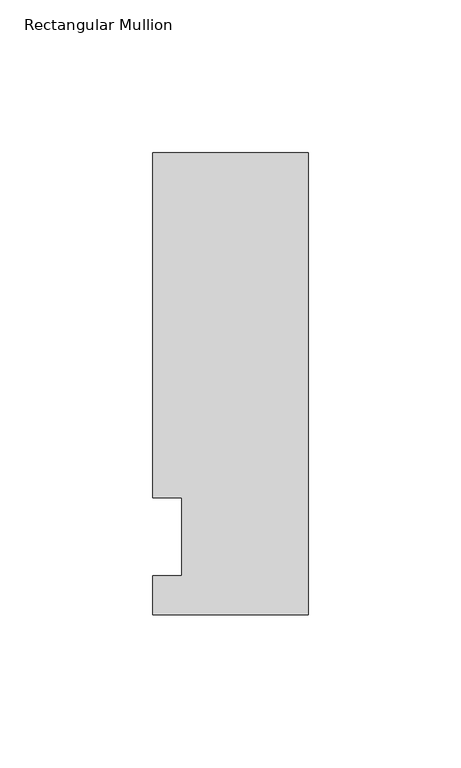
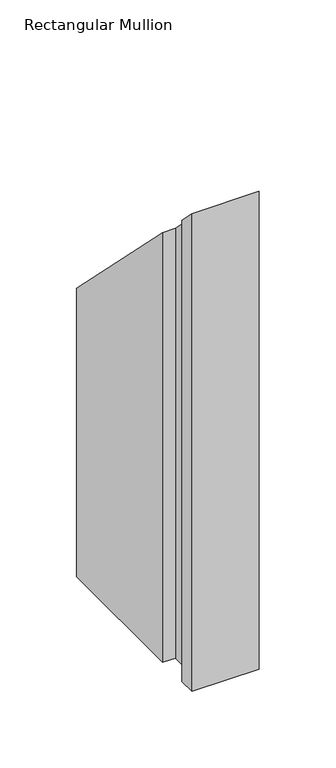
"""IFC4 building model written with IfcOpenShell, lengths in millimetres: member geometry, Rectangular Mullion."""

import ifcopenshell
import ifcopenshell.guid

model = None  # the IFC model being written
_history = None  # IfcOwnerHistory: only IFC2X3 demands one
_inside = {}  # id of a spatial element -> (the spatial element, [elements in it])
_under = {}  # id of a project, library or spatial element -> (it, [spatial elements below it])
_declared = {}  # id of a project -> (the project, [libraries it declares])
_typed = {}  # id of a type object -> (the type object, [elements of that type])
_made_of = {}  # id of a material, layer set ... -> (it, [elements and type objects made of it])


def new_model(schema):
    """Start an empty IFC model of exactly this schema.

    Asked for "IFC4X3", IfcOpenShell would pick the latest addendum, in which some entities
    have other attributes; the version numbers below select the first issue.
    IFC2X3 requires an IfcOwnerHistory on every rooted entity: one is made here for all.
    """
    global model, _history
    if schema == "IFC4X3":
        model = ifcopenshell.file(schema_version=(4, 3, 0, 0))
    else:
        model = ifcopenshell.file(schema=schema)
    _inside.clear()
    _under.clear()
    _declared.clear()
    _typed.clear()
    _made_of.clear()
    _history = None
    if model.schema == "IFC2X3":
        org = make("IfcOrganization", Name="unknown")
        user = make(
            "IfcPersonAndOrganization",
            ThePerson=make("IfcPerson", FamilyName="unknown"),
            TheOrganization=org,
        )
        app = make(
            "IfcApplication",
            ApplicationDeveloper=org,
            Version="unknown",
            ApplicationFullName="unknown",
            ApplicationIdentifier="unknown",
        )
        _history = make(
            "IfcOwnerHistory",
            OwningUser=user,
            OwningApplication=app,
            ChangeAction="ADDED",
            CreationDate=0,
        )
    return model


def make(cls, **values):
    """One entity of the class cls with the attributes given. An attribute that is None is left unset."""
    return model.create_entity(
        cls, **{name: value for name, value in values.items() if value is not None}
    )


def rooted(cls, **values):
    """An entity with a GlobalId (a new one), such as an element, a storey or a relation."""
    return make(cls, GlobalId=ifcopenshell.guid.new(), OwnerHistory=_history, **values)


def si_unit(unit_type, name, prefix=None):
    """IfcSIUnit, for example si_unit("LENGTHUNIT", "METRE", prefix="MILLI")."""
    return make("IfcSIUnit", UnitType=unit_type, Prefix=prefix, Name=name)


def assignment(units):
    """IfcUnitAssignment: the units of a project."""
    return None if units is None else make("IfcUnitAssignment", Units=units)


def point(xyz):
    """IfcCartesianPoint."""
    return None if xyz is None else make("IfcCartesianPoint", Coordinates=xyz)


def direction(xyz):
    """IfcDirection."""
    return None if xyz is None else make("IfcDirection", DirectionRatios=xyz)


def frame(location, z_axis=None, x_axis=None):
    """IfcAxis2Placement3D, a coordinate frame: its origin and axes. An axis left out is left unset."""
    return make(
        "IfcAxis2Placement3D",
        Location=point(location),
        Axis=direction(z_axis),
        RefDirection=direction(x_axis),
    )


def origin():
    """The frame at (0, 0, 0) with its axes left unset."""
    return frame((0.0, 0.0, 0.0))


def place(relative_to, where):
    """IfcLocalPlacement: puts the frame where relative to a parent placement (None: the world)."""
    return make(
        "IfcLocalPlacement", PlacementRelTo=relative_to, RelativePlacement=where
    )


def context(
    kind, dimensions, precision=None, world=None, true_north=None, identifier=None
):
    """IfcGeometricRepresentationContext, for example the 3D "Model" context."""
    return make(
        "IfcGeometricRepresentationContext",
        ContextIdentifier=identifier,
        ContextType=kind,
        CoordinateSpaceDimension=dimensions,
        Precision=precision,
        WorldCoordinateSystem=world,
        TrueNorth=true_north,
    )


def project(units=None, contexts=None):
    """IfcProject with its units and contexts."""
    return rooted(
        "IfcProject",
        Name="project",
        RepresentationContexts=contexts,
        UnitsInContext=assignment(units),
    )


def spatial(cls, under=None, at=None, **own):
    """A site, building, storey or space (cls), placed at a placement, below another one or the project."""
    s = rooted(cls, ObjectPlacement=at, **own)
    if under is not None:
        _under.setdefault(under.id(), (under, []))[1].append(s)
    return s


def faces_of(points, faces, orient=None, outer=None):
    """IfcFace entities. A face is a list of loops; a loop is a list of indices into points, from 0.

    orient and outer hold one flag for each loop. By default every Orientation is true, the
    first loop of a face is its IfcFaceOuterBound and the others are IfcFaceBound.
    """
    made = []
    for i, loops in enumerate(faces):
        bounds = []
        for j, loop in enumerate(loops):
            is_outer = j == 0 if outer is None else outer[i][j]
            bounds.append(
                make(
                    "IfcFaceOuterBound" if is_outer else "IfcFaceBound",
                    Bound=make("IfcPolyLoop", Polygon=[points[k] for k in loop]),
                    Orientation=True if orient is None else orient[i][j],
                )
            )
        made.append(make("IfcFace", Bounds=bounds))
    return made


def faceted_brep(points, faces, orient=None, outer=None, voids=None):
    """IfcFacetedBrep: a solid bounded by flat faces; with voids (closed shells), ...WithVoids."""
    shared = [point(p) for p in points]
    hull = make("IfcClosedShell", CfsFaces=faces_of(shared, faces, orient, outer))
    if voids is None:
        return make("IfcFacetedBrep", Outer=hull)
    return make(
        "IfcFacetedBrepWithVoids",
        Outer=hull,
        Voids=[
            make(cls, CfsFaces=faces_of(shared, fs, o, b)) for cls, fs, o, b in voids
        ],
    )


def shape(context_of_items, identifier, shape_type, items):
    """IfcShapeRepresentation: the items that make up one representation, for example the "Body"."""
    return make(
        "IfcShapeRepresentation",
        ContextOfItems=context_of_items,
        RepresentationIdentifier=identifier,
        RepresentationType=shape_type,
        Items=items,
    )


def source(mapping_origin, context_of_items, identifier, shape_type, items):
    """IfcRepresentationMap: a shape defined once, which mapped items show again and again."""
    return make(
        "IfcRepresentationMap",
        MappingOrigin=mapping_origin,
        MappedRepresentation=shape(context_of_items, identifier, shape_type, items),
    )


def transform(
    local_origin,
    x_axis=None,
    y_axis=None,
    z_axis=None,
    scale=None,
    scale2=None,
    scale3=None,
    uniform=True,
):
    """IfcCartesianTransformationOperator3D, or its non-uniform kind. x_axis, y_axis, z_axis: its Axis1, 2, 3."""
    if uniform:
        return make(
            "IfcCartesianTransformationOperator3D",
            Axis1=direction(x_axis),
            Axis2=direction(y_axis),
            LocalOrigin=point(local_origin),
            Scale=scale,
            Axis3=direction(z_axis),
        )
    return make(
        "IfcCartesianTransformationOperator3DnonUniform",
        Axis1=direction(x_axis),
        Axis2=direction(y_axis),
        LocalOrigin=point(local_origin),
        Scale=scale,
        Axis3=direction(z_axis),
        Scale2=scale2,
        Scale3=scale3,
    )


def mapped(mapping_source, mapping_target):
    """IfcMappedItem: shows the shape of a source again, moved by a transform."""
    return make(
        "IfcMappedItem", MappingSource=mapping_source, MappingTarget=mapping_target
    )


def made_of(thing, what):
    """Note that an element or type object is made of a material, layer set ...; save() writes the relation."""
    if what is not None:
        _made_of.setdefault(what.id(), (what, []))[1].append(thing)
    return thing


def element(
    cls,
    number,
    at=None,
    inside=None,
    cuts=None,
    type_object=None,
    material=None,
    context=None,
    identifier="Body",
    shape_type=None,
    held_by="IfcProductDefinitionShape",
    body=None,
    shapes=None,
    **own,
):
    """One element of the class cls, such as IfcWall. Its Tag is "e" and its number.

    at: its placement. inside: the storey or other place that contains it. cuts: it is an
    opening in that element (IfcRelVoidsElement). A single representation is given by context,
    identifier, shape_type and body (its items); several are given by shapes. held_by: the class
    of the entity that holds the representations. save() writes the other relations.
    """
    e = rooted(cls, Tag="e%d" % number, ObjectPlacement=at, **own)
    if body is not None:
        shapes = [shape(context, identifier, shape_type, body)]
    if shapes is not None:
        e.Representation = make(held_by, Representations=shapes)
    if inside is not None:
        _inside.setdefault(inside.id(), (inside, []))[1].append(e)
    if cuts is not None:
        rooted(
            "IfcRelVoidsElement", RelatingBuildingElement=cuts, RelatedOpeningElement=e
        )
    if type_object is not None:
        _typed.setdefault(type_object.id(), (type_object, []))[1].append(e)
    return made_of(e, material)


def aggregate(whole, parts):
    """IfcRelAggregates: a whole, such as a stair, and the parts it consists of."""
    return rooted("IfcRelAggregates", RelatingObject=whole, RelatedObjects=parts)


def save(model, path):
    """Write the relations noted so far, then the file.

    IfcRelAggregates (storeys below a building ...), IfcRelContainedInSpatialStructure (elements
    in a storey), IfcRelDefinesByType, IfcRelAssociatesMaterial and IfcRelDeclares: one each for
    every whole, place, type object, material and project.
    """
    for whole, parts in _under.values():
        aggregate(whole, parts)
    for where, things in _inside.values():
        rooted(
            "IfcRelContainedInSpatialStructure",
            RelatedElements=things,
            RelatingStructure=where,
        )
    for kind, things in _typed.values():
        rooted("IfcRelDefinesByType", RelatedObjects=things, RelatingType=kind)
    for what, things in _made_of.values():
        rooted("IfcRelAssociatesMaterial", RelatedObjects=things, RelatingMaterial=what)
    for by, libraries in _declared.values():
        rooted("IfcRelDeclares", RelatingContext=by, RelatedDefinitions=libraries)
    model.write(path)


def rectangular_mullion_f8b07f4e(model_context):
    return source(origin(), model_context, "Body", "Brep", [
        faceted_brep([(-50.8, -25.5984375, -355.6), (-50.8, -12.7, -355.6), (-41.275, -12.7, -355.6), (-41.275, 12.7, -355.6), (-50.8, 12.7, -355.6), (-50.8, 125.6109375, -355.6), (0.0, 125.6109375, -355.6), (0.0, -25.5984375, -355.6), (0.0, -25.5984375, 25.5984375), (-50.8, -25.5984375, 25.5984375), (0.0, 125.6109375, -125.6109375), (-50.8, 125.6109375, -125.6109375), (-50.8, 12.7, -12.7), (-41.275, 12.7, -12.7), (-41.275, -12.7, 12.7), (-50.8, -12.7, 12.7)], [[[0, 1, 2, 3, 4, 5, 6, 7]], [[8, 9, 0, 7]], [[10, 8, 7, 6]], [[11, 10, 6, 5]], [[12, 11, 5, 4]], [[13, 12, 4, 3]], [[14, 13, 3, 2]], [[15, 14, 2, 1]], [[9, 15, 1, 0]], [[9, 8, 10, 11, 12, 13, 14, 15]]]),
    ])


if __name__ == "__main__":
    model = new_model("IFC4")
    model_context = context("Model", 3, world=origin())
    ifc_project = project(units=[si_unit("LENGTHUNIT", "METRE", prefix="MILLI")], contexts=[model_context])
    site = spatial("IfcSite", under=ifc_project)
    building = spatial("IfcBuilding", under=site)
    placement = place(None, origin())
    rectangular_mullion_shape = rectangular_mullion_f8b07f4e(model_context)
    element("IfcMember", 1, ObjectType="Rectangular Mullion", at=placement, inside=building, context=model_context, shape_type="MappedRepresentation", body=[
        mapped(rectangular_mullion_shape, transform((0.0, 0.0, 0.0), x_axis=(1.0, 0.0, 0.0), y_axis=(0.0, 1.0, 0.0), z_axis=(0.0, 0.0, 1.0))),
    ])
    save(model, "model.ifc")
